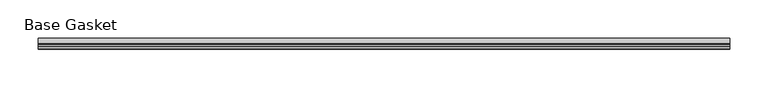
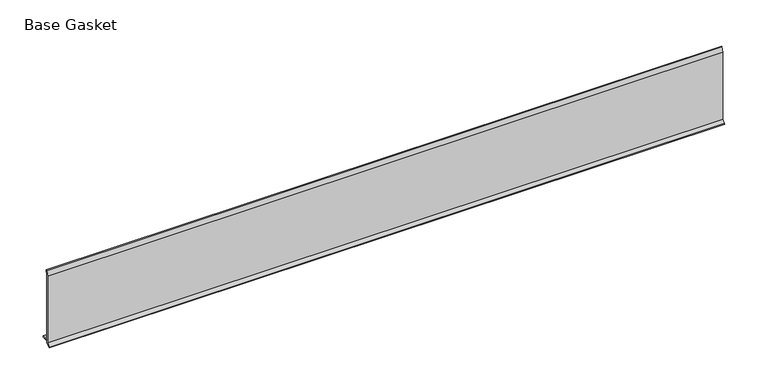
"""IFC4 building model written with IfcOpenShell, lengths in millimetres: furniture geometry, Base Gasket."""

from ifc_helpers import new_model, si_unit, frame, origin, place, context, project, spatial, polyline, outline, extrude, source, transform, mapped, element, save


def base_gasket_62a313f0(model_context):
    return source(origin(), model_context, "Body", "SweptSolid", [
        extrude(outline(polyline([(-3.7283812, 98.4568417), (-1.1891543, 104.587663), (-0.6755308, 105.2002997), (-0.6755308, 104.4162708), (-2.2043812, 98.4568417), (-2.2043812, 96.8693477), (-1.4106313, 96.8693477), (-1.4106313, 71.4693447), (-2.2043812, 71.4693447), (-2.2043812, 7.9398773), (6.2405171, 7.9398773), (6.2405171, 6.3818476), (-2.1334222, 6.3818476), (-2.2043812, 4.3498477), (-6.8281054, 0.3520979), (-7.8482342, 0.0), (-7.4222115, 0.6560174), (-3.7283812, 4.3498477), (-3.7283812, 98.4568417)])), frame((-1527.8982117, 0.0, 0.0), z_axis=(1.0, 0.0, 0.0), x_axis=(0.0, 1.0, 0.0)), (0.0, 0.0, 1.0), 900.0222326),
    ])


if __name__ == "__main__":
    model = new_model("IFC4")
    model_context = context("Model", 3, world=origin())
    ifc_project = project(units=[si_unit("LENGTHUNIT", "METRE", prefix="MILLI")], contexts=[model_context])
    site = spatial("IfcSite", under=ifc_project)
    building = spatial("IfcBuilding", under=site)
    placement = place(None, origin())
    base_gasket_shape = base_gasket_62a313f0(model_context)
    element("IfcFurniture", 1, ObjectType="Base Gasket", at=placement, inside=building, context=model_context, shape_type="MappedRepresentation", body=[
        mapped(base_gasket_shape, transform((0.0, 0.0, 0.0), x_axis=(1.0, 0.0, 0.0), y_axis=(0.0, 1.0, 0.0), z_axis=(0.0, 0.0, 1.0))),
    ])
    save(model, "model.ifc")
